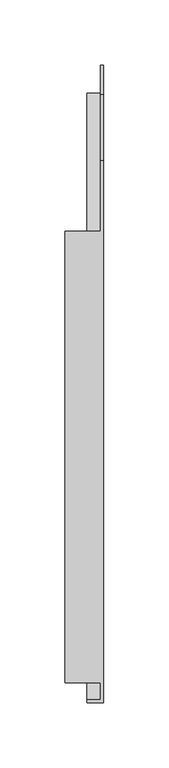
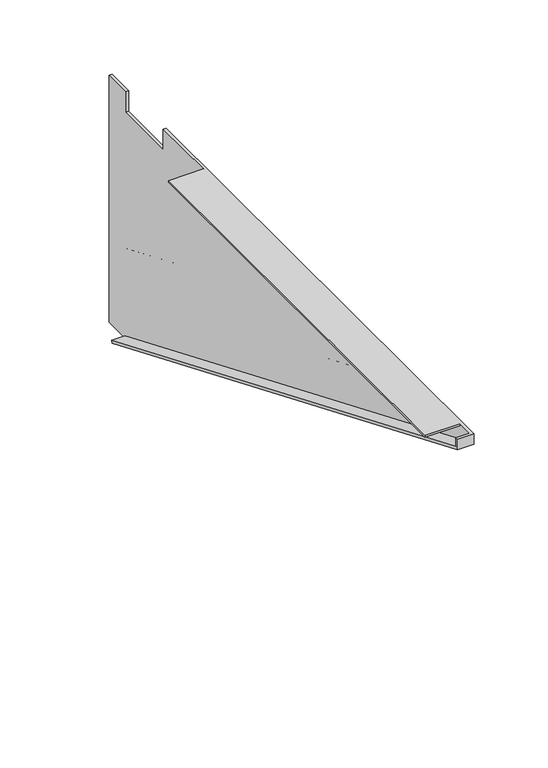
"""IFC4 building model written with IfcOpenShell, lengths in millimetres: furniture geometry."""

from ifc_helpers import new_model, si_unit, origin, place, context, project, spatial, faceted_brep, source, transform, mapped, element, save


def furniture_f3bc1454(model_context):
    return source(origin(), model_context, "Body", "Brep", [
        faceted_brep([(-23.1179687, 211.9808613, 693.7248), (-23.1179687, -133.4589776, 693.7248), (4.0676512, -133.4589776, 693.7248), (4.0676512, -146.2023206, 693.7248), (-6.35, -146.2023206, 693.7248), (-6.35, -148.4807006, 693.7248), (6.35, -148.4807006, 693.7248), (6.35, 265.9558598, 693.7248), (4.0676512, 265.9558598, 693.7248), (4.0676512, 211.9808613, 693.7248), (-23.1179687, -133.4589776, 692.2008015), (-23.1179687, 211.9808613, 692.2008015), (4.0676512, 211.9808613, 692.2008015), (4.0676512, -133.4589776, 692.2008015), (6.3460312, -148.4807006, 685.1336238), (6.3460312, 316.7558601, 490.5248), (6.3460312, 338.9808594, 490.5248), (6.3460312, 338.9808594, 693.7248), (6.3460312, 316.7558601, 693.7248), (6.3460312, 316.7558601, 676.7583937), (6.3460312, 265.9558598, 676.7583937), (4.0676512, 265.9558598, 676.7583937), (4.0676512, 316.7558601, 676.7583937), (4.0676512, 316.7558601, 693.7248), (4.0676512, 338.9808594, 693.7248), (4.0676512, 338.9808594, 490.5248), (4.0676512, 316.7558601, 490.5248), (4.0676512, 317.635086, 492.6266985), (4.0676512, -146.2023206, 686.650255), (-6.35, -146.2023206, 686.650255), (-6.35, 317.635086, 492.6266985), (-6.35, -148.4807006, 685.1336238), (-6.35, 316.7558601, 490.5248)], [[[0, 1, 2, 3, 4, 5, 6, 7, 8, 9]], [[10, 11, 12, 13]], [[11, 0, 9, 12]], [[1, 0, 11, 10]], [[1, 10, 13, 2]], [[7, 6, 14, 15, 16, 17, 18, 19, 20]], [[8, 21, 22, 23, 24, 25, 26, 27, 28, 3, 2, 13, 12, 9]], [[21, 8, 7, 20]], [[22, 21, 20, 19]], [[23, 22, 19, 18]], [[24, 23, 18, 17]], [[25, 24, 17, 16]], [[26, 25, 16, 15]], [[29, 28, 27, 30]], [[4, 3, 28, 29]], [[31, 32, 26, 15, 14]], [[6, 5, 31, 14]], [[26, 32, 30, 27]], [[5, 4, 29, 30, 32, 31]]]),
        faceted_brep([(4.0676512, 265.9558598, 693.7248), (4.0676512, 265.9558598, 676.7583937), (4.0676512, 316.7558601, 676.7583937), (4.0676512, 316.7558601, 693.7248), (4.0676512, 338.9808594, 693.7248), (4.0676512, 338.9808594, 490.5248), (4.0676512, 316.7558601, 490.5248), (4.0676512, 317.635086, 492.6266985), (4.0676512, -146.2023206, 686.650255), (4.0676512, -146.2023206, 693.7248), (4.0676512, -133.4589776, 693.7248), (4.0676512, -133.4589776, 692.2008015), (4.0676512, 211.9808613, 692.2008015), (4.0676512, 211.9808613, 693.7248), (4.0676512, 316.7558601, 539.2373491), (4.0676512, -16.6213816, 676.7583937), (4.0676512, -44.782029, 676.7583937), (4.0676512, 316.7558601, 527.0453491), (4.0676512, 316.7558601, 577.3400317), (4.0676512, 79.254853, 676.7583937), (4.0676512, 51.0942056, 676.7583937), (4.0676512, 316.7558601, 565.1480317), (4.0676512, 316.7558601, 615.4427143), (4.0676512, 175.1310876, 676.7583937), (4.0676512, 146.9704402, 676.7583937), (4.0676512, 316.7558601, 603.2507143), (6.35, -148.4807006, 693.7248), (6.35, -148.4807006, 685.1336238), (6.35, 316.7558601, 490.5248), (6.35, 338.9808594, 490.5248), (6.35, 338.9808594, 693.7248), (6.35, 316.7558601, 693.7248), (6.35, 316.7558601, 676.7583937), (6.35, 265.9558598, 676.7583937), (6.35, 265.9558598, 693.7248), (6.35, -16.6213816, 676.7583937), (6.35, 316.7558601, 539.2373491), (6.35, 316.7558601, 527.0453491), (6.35, -44.782029, 676.7583937), (6.35, 79.254853, 676.7583937), (6.35, 316.7558601, 577.3400317), (6.35, 316.7558601, 565.1480317), (6.35, 51.0942056, 676.7583937), (6.35, 175.1310876, 676.7583937), (6.35, 316.7558601, 615.4427143), (6.35, 316.7558601, 603.2507143), (6.35, 146.9704402, 676.7583937), (-6.35, -148.4807006, 685.1336238), (-6.35, 316.7558601, 490.5248), (-23.1179687, 211.9808613, 693.7248), (-23.1179687, -133.4589776, 693.7248), (-6.35, -146.2023206, 693.7248), (-6.35, -148.4807006, 693.7248), (-23.1179687, -133.4589776, 692.2008015), (-23.1179687, 211.9808613, 692.2008015), (-6.35, -146.2023206, 686.650255), (-6.35, 317.635086, 492.6266985), (4.8614012, -16.6213816, 676.7583937), (4.8614012, 316.7558601, 539.2373491), (4.8614012, 316.7558601, 527.0453491), (4.8614012, -44.782029, 676.7583937), (4.8614012, 79.254853, 676.7583937), (4.8614012, 316.7558601, 577.3400317), (4.8614012, 316.7558601, 565.1480317), (4.8614012, 51.0942056, 676.7583937), (4.8614012, 175.1310876, 676.7583937), (4.8614012, 316.7558601, 615.4427143), (4.8614012, 316.7558601, 603.2507143), (4.8614012, 146.9704402, 676.7583937), (5.5522812, -16.6213816, 676.7583937), (5.5522812, -44.782029, 676.7583937), (5.5522812, 316.7558601, 527.0453491), (5.5522812, 316.7558601, 539.2373491), (5.5522812, 79.254853, 676.7583937), (5.5522812, 51.0942056, 676.7583937), (5.5522812, 316.7558601, 565.1480317), (5.5522812, 316.7558601, 577.3400317), (5.5522812, 175.1310876, 676.7583937), (5.5522812, 146.9704402, 676.7583937), (5.5522812, 316.7558601, 603.2507143), (5.5522812, 316.7558601, 615.4427143)], [[[0, 1, 2, 3, 4, 5, 6, 7, 8, 9, 10, 11, 12, 13], [14, 15, 16, 17], [18, 19, 20, 21], [22, 23, 24, 25]], [[26, 27, 28, 29, 30, 31, 32, 33, 34], [35, 36, 37, 38], [39, 40, 41, 42], [43, 44, 45, 46]], [[1, 0, 34, 33]], [[2, 1, 33, 32]], [[3, 2, 32, 31]], [[4, 3, 31, 30]], [[5, 4, 30, 29]], [[6, 5, 29, 28]], [[28, 27, 47, 48, 6]], [[34, 0, 13, 49, 50, 10, 9, 51, 52, 26]], [[53, 54, 12, 11]], [[54, 49, 13, 12]], [[54, 53, 50, 49]], [[50, 53, 11, 10]], [[27, 26, 52, 47]], [[55, 8, 7, 56]], [[51, 9, 8, 55]], [[57, 58, 59, 60]], [[61, 62, 63, 64]], [[65, 66, 67, 68]], [[58, 57, 15, 14]], [[59, 58, 14, 17]], [[60, 59, 17, 16]], [[57, 60, 16, 15]], [[62, 61, 19, 18]], [[63, 62, 18, 21]], [[64, 63, 21, 20]], [[61, 64, 20, 19]], [[66, 65, 23, 22]], [[67, 66, 22, 25]], [[68, 67, 25, 24]], [[65, 68, 24, 23]], [[69, 70, 71, 72]], [[73, 74, 75, 76]], [[77, 78, 79, 80]], [[69, 72, 36, 35]], [[72, 71, 37, 36]], [[71, 70, 38, 37]], [[70, 69, 35, 38]], [[73, 76, 40, 39]], [[76, 75, 41, 40]], [[75, 74, 42, 41]], [[74, 73, 39, 42]], [[77, 80, 44, 43]], [[80, 79, 45, 44]], [[79, 78, 46, 45]], [[78, 77, 43, 46]], [[6, 48, 56, 7]], [[52, 51, 55, 56, 48, 47]]]),
    ])


if __name__ == "__main__":
    model = new_model("IFC4")
    model_context = context("Model", 3, world=origin())
    ifc_project = project(units=[si_unit("LENGTHUNIT", "METRE", prefix="MILLI")], contexts=[model_context])
    site = spatial("IfcSite", under=ifc_project)
    building = spatial("IfcBuilding", under=site)
    placement = place(None, origin())
    furniture_shape = furniture_f3bc1454(model_context)
    element("IfcFurniture", 1, at=placement, inside=building, context=model_context, shape_type="MappedRepresentation", body=[
        mapped(furniture_shape, transform((0.0, 0.0, 0.0), x_axis=(1.0, 0.0, 0.0), y_axis=(0.0, 1.0, 0.0), z_axis=(0.0, 0.0, 1.0))),
    ])
    save(model, "model.ifc")
